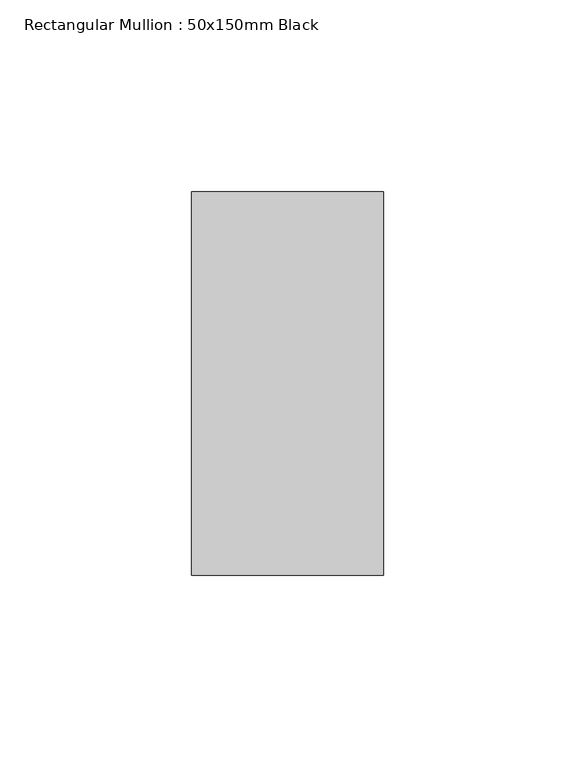
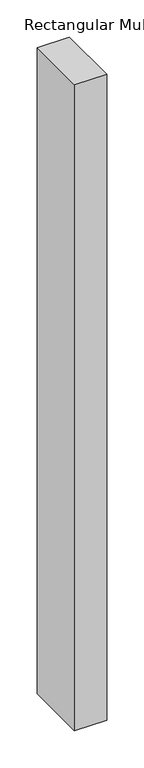
"""IFC4 building model written with IfcOpenShell, lengths in millimetres: member geometry, Rectangular Mullion : 50x150mm Black."""

from ifc_helpers import new_model, si_unit, frame, origin, place, context, project, spatial, polyline, outline, extrude, source, transform, mapped, element, save


def rectangular_mullion_50x150mm_black_757ecc40(model_context):
    return source(origin(), model_context, "Body", "SweptSolid", [
        extrude(outline(polyline([(25.0, 50.0), (25.0, -50.0), (-25.0, -50.0), (-25.0, 50.0), (25.0, 50.0)])), frame((0.0, 0.0, -1060.7), z_axis=(0.0, 0.0, 1.0), x_axis=(1.0, 0.0, 0.0)), (0.0, 0.0, 1.0), 1060.7),
    ])


if __name__ == "__main__":
    model = new_model("IFC4")
    model_context = context("Model", 3, world=origin())
    ifc_project = project(units=[si_unit("LENGTHUNIT", "METRE", prefix="MILLI")], contexts=[model_context])
    site = spatial("IfcSite", under=ifc_project)
    building = spatial("IfcBuilding", under=site)
    placement = place(None, origin())
    rectangular_mullion_50x150mm_black_shape = rectangular_mullion_50x150mm_black_757ecc40(model_context)
    element("IfcMember", 1, ObjectType="Rectangular Mullion : 50x150mm Black", at=placement, inside=building, context=model_context, shape_type="MappedRepresentation", body=[
        mapped(rectangular_mullion_50x150mm_black_shape, transform((0.0, 0.0, 0.0), x_axis=(1.0, 0.0, 0.0), y_axis=(0.0, 1.0, 0.0), z_axis=(0.0, 0.0, 1.0))),
    ])
    save(model, "model.ifc")
